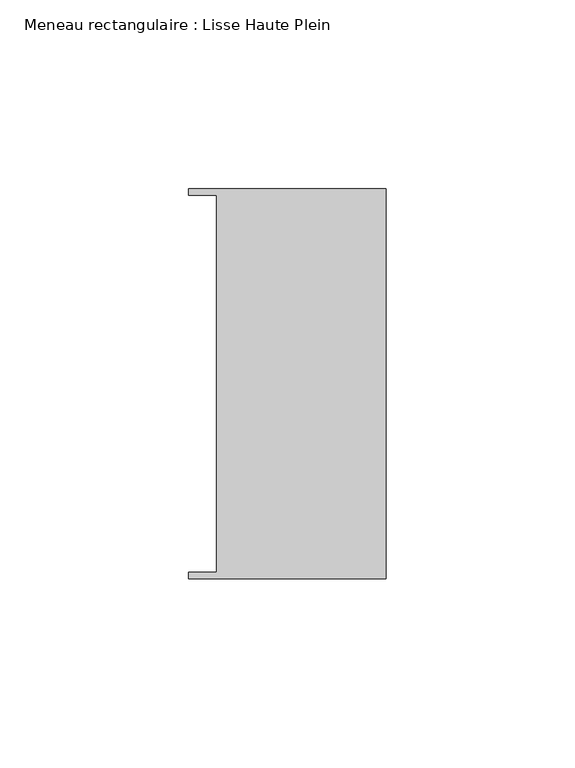
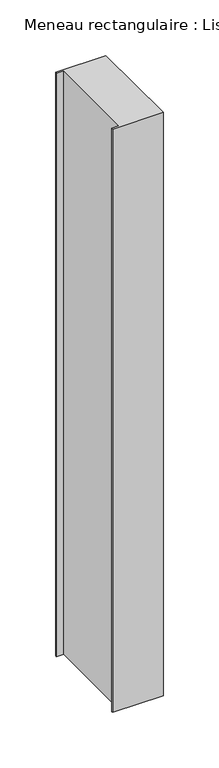
"""IFC4 building model written with IfcOpenShell, lengths in millimetres: member geometry, Meneau rectangulaire : Lisse Haute Plein."""

from ifc_helpers import new_model, si_unit, frame, origin, place, context, project, spatial, polyline, outline, extrude, source, transform, mapped, element, save


def meneau_rectangulaire_lisse_haute_plein_7ceec215(model_context):
    return source(origin(), model_context, "Body", "SweptSolid", [
        extrude(outline(polyline([(-44.9064331, 49.9174073), (-52.3, 49.9174073), (-52.3, 51.585934), (0.0, 51.585934), (0.0, -51.6011428), (-52.3, -51.6011428), (-52.3, -49.9174073), (-44.9064331, -49.9174073), (-44.9064331, 49.9174073)])), frame((0.0, 0.0, -641.5796435), z_axis=(0.0, 0.0, 1.0), x_axis=(1.0, 0.0, 0.0)), (0.0, 0.0, 1.0), 641.5796435),
    ])


if __name__ == "__main__":
    model = new_model("IFC4")
    model_context = context("Model", 3, world=origin())
    ifc_project = project(units=[si_unit("LENGTHUNIT", "METRE", prefix="MILLI")], contexts=[model_context])
    site = spatial("IfcSite", under=ifc_project)
    building = spatial("IfcBuilding", under=site)
    placement = place(None, origin())
    meneau_rectangulaire_lisse_haute_plein_shape = meneau_rectangulaire_lisse_haute_plein_7ceec215(model_context)
    element("IfcMember", 1, ObjectType="Meneau rectangulaire : Lisse Haute Plein", at=placement, inside=building, context=model_context, shape_type="MappedRepresentation", body=[
        mapped(meneau_rectangulaire_lisse_haute_plein_shape, transform((0.0, 0.0, 0.0), x_axis=(1.0, 0.0, 0.0), y_axis=(0.0, 1.0, 0.0), z_axis=(0.0, 0.0, 1.0))),
    ])
    save(model, "model.ifc")
